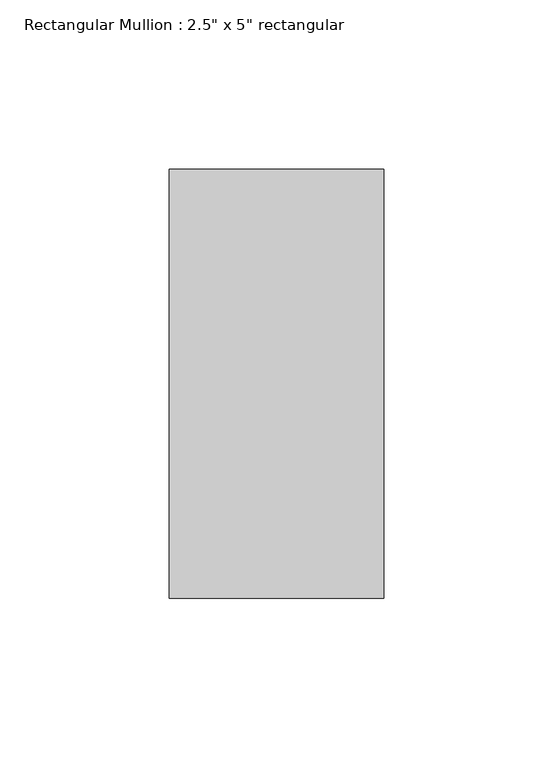
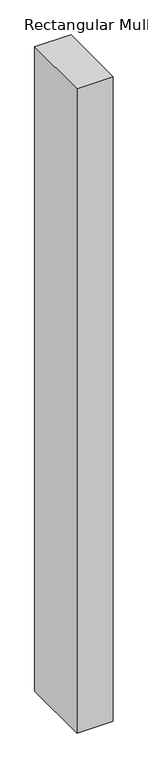
"""IFC4 building model written with IfcOpenShell, lengths in millimetres: member geometry."""

from ifc_helpers import new_model, si_unit, frame, origin, place, context, project, spatial, polyline, outline, extrude, source, transform, mapped, element, save


def member_90ed69e0(model_context):
    return source(origin(), model_context, "Body", "SweptSolid", [
        extrude(outline(polyline([(31.75, 63.5), (31.75, -63.5), (-31.75, -63.5), (-31.75, 63.5), (31.75, 63.5)])), frame((0.0, 0.0, -1186.5), z_axis=(0.0, 0.0, 1.0), x_axis=(1.0, 0.0, 0.0)), (0.0, 0.0, 1.0), 1186.5),
    ])


if __name__ == "__main__":
    model = new_model("IFC4")
    model_context = context("Model", 3, world=origin())
    ifc_project = project(units=[si_unit("LENGTHUNIT", "METRE", prefix="MILLI")], contexts=[model_context])
    site = spatial("IfcSite", under=ifc_project)
    building = spatial("IfcBuilding", under=site)
    placement = place(None, origin())
    member_shape = member_90ed69e0(model_context)
    element("IfcMember", 1, ObjectType="Rectangular Mullion : 2.5\" x 5\" rectangular", at=placement, inside=building, context=model_context, shape_type="MappedRepresentation", body=[
        mapped(member_shape, transform((0.0, 0.0, 0.0), x_axis=(1.0, 0.0, 0.0), y_axis=(0.0, 1.0, 0.0), z_axis=(0.0, 0.0, 1.0))),
    ])
    save(model, "model.ifc")
